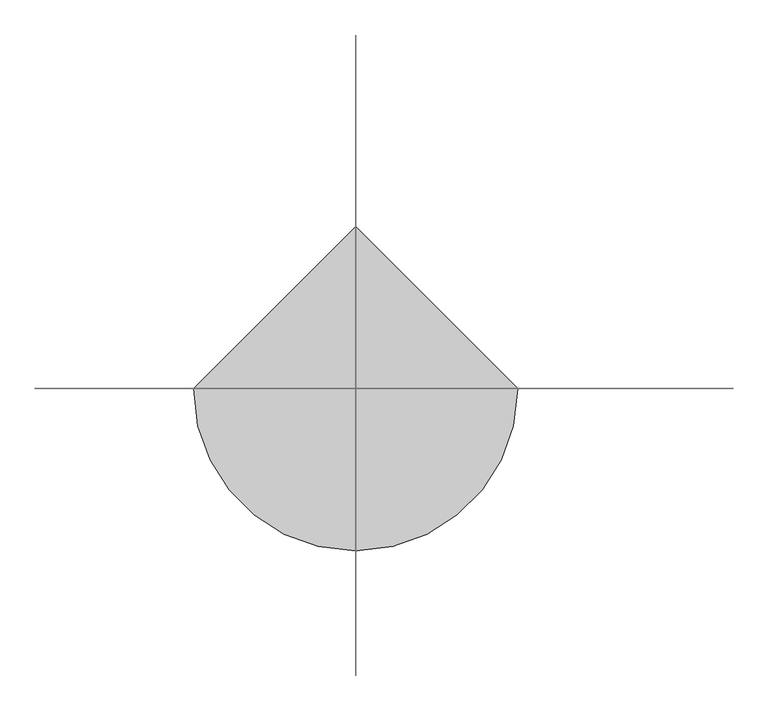
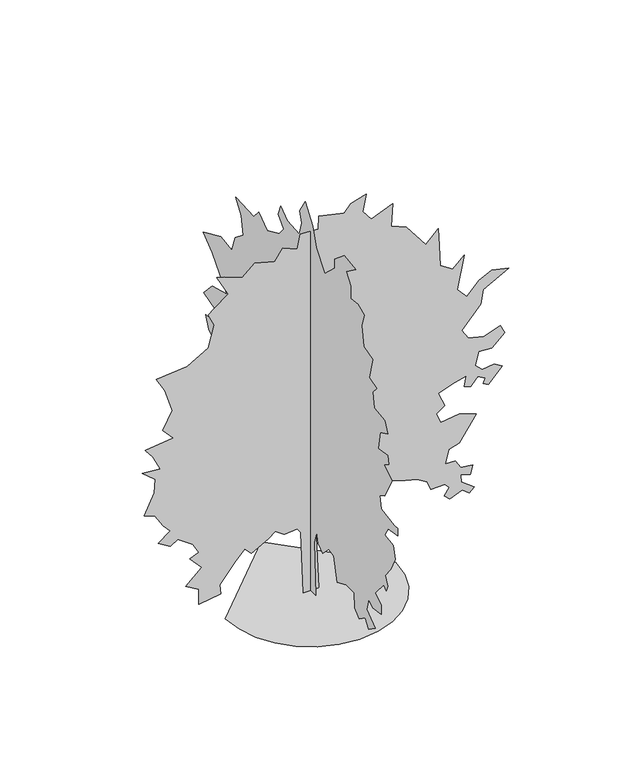
"""IFC4 building model written with IfcOpenShell, lengths in millimetres: geographic element geometry."""

from ifc_helpers import new_model, si_unit, origin, place, context, project, spatial, triangles, source, transform, mapped, element, save


def geographic_element_031c8886(model_context):
    return source(origin(), model_context, "Body", "Tessellation", [
        triangles([(-2937.8052727, 0.0, 0.000412), (-2860.1440247, -673.1516441, 0.000412), (-2638.9438637, -1291.3319344, 0.000412), (-2291.9380096, -1836.8326492, 0.000412), (-1836.8326492, -2291.9380096, 0.000412), (-1291.3319344, -2638.9438637, 0.000412), (-673.149682, -2860.1440247, 0.000412), (0.0001284, -2937.8052727, 0.000412), (673.1516441, -2860.1440247, 0.000412), (1291.3319344, -2638.9438637, 0.000412), (1836.8326492, -2291.9380096, 0.000412), (2291.9380096, -1836.8326492, 0.000412), (2638.9438637, -1291.3319344, 0.000412), (2860.1440247, -673.149682, 0.000412), (2937.8052727, 0.0002568, 0.000412), (-0.0003852, 2937.8052727, 0.000412), (-247.3354843, 0.0, 0.0061369), (-344.9641545, -0.0001338, 2245.4657009), (-462.1189948, -0.0001432, 2401.6824738), (-911.2140753, -0.0001408, 2362.6185791), (-1223.6263287, -0.0001536, 2577.4214561), (-1457.9358639, -0.0001432, 2401.6824738), (-2043.7099926, -0.0001234, 2069.7460487), (-2278.015749, -0.0001385, 2323.57416), (-2609.9520287, -0.0001152, 1933.0593338), (-3137.149791, -7.8e-05, 1308.2329376), (-3098.1053719, -5.7e-05, 956.7685621), (-3859.6085999, -5e-05, 839.6137218), (-3859.6085999, -8.26e-05, 1386.3374725), (-4308.6980484, -9.89e-05, 1659.6994205), (-3761.9779312, -0.0001292, 2167.3767174), (-4172.02267, -0.000156, 2616.4658752), (-3859.6085999, -0.0001629, 2733.6188988), (-4074.392292, -0.000185, 3104.5997429), (-4582.0676994, -0.0002072, 3475.6000626), (-4835.89552, -0.0001967, 3299.8610802), (-5265.462323, -0.0002118, 3553.7083763), (-4835.89552, -0.0002304, 3866.1224464), (-5089.7428162, -0.0002467, 4139.4729126), (-5382.6348221, -0.0002747, 4608.1036102), (-5734.093602, -0.0002816, 4725.2566338), (-5402.1568863, -0.0003247, 5447.7157333), (-5363.0929916, -0.0003538, 5935.8493103), (-5812.2022064, -0.0003759, 6306.8493393), (-5187.3734848, -0.0003724, 6248.2633804), (-5441.2015961, -0.0004038, 6775.4608521), (-5714.5715378, -0.0004236, 7107.3975677), (-4738.2648514, -0.0004306, 7224.5503006), (-5109.2654617, -0.0004551, 7634.5950394), (-4777.328746, -0.0004911, 8239.9011154), (-5031.1568573, -0.00054, 9059.990593), (-5324.0488632, -0.0005703, 9567.6468155), (-4250.1312744, -0.0005761, 9665.2774841), (-3527.6721748, -0.0006017, 10094.8442871), (-3332.4111282, -0.0006471, 10856.367572), (-3527.6721748, -0.0006727, 11285.934375), (-3332.4111282, -0.0006832, 11461.6538818), (-2844.2772606, -0.0007041, 11813.1312653), (-3234.7804596, -0.0007483, 12555.1127197), (-2980.9523483, -0.0007437, 12477.0046967), (-2356.1240627, -0.0007297, 12242.699231), (-1926.555225, -0.000753, 12633.2021393), (-1243.1524624, -0.0007414, 12437.940802), (-969.7905144, -0.0007658, 12847.9855408), (-462.1189948, -0.000753, 12633.2021393), (-364.4902883, -0.0007833, 13140.8769653), (260.3360353, -0.0007809, 13101.8328369), (279.862169, -0.0008089, 13570.4437683), (1158.5242704, -0.0007972, 13375.1835938), (1392.8319889, -0.0008124, 13629.0308899), (1920.0314953, -0.0008228, 13804.7503967), (1802.8748383, -0.0007867, 13199.4629242), (2095.7627747, -0.0007646, 12828.4634766), (2837.7439384, -0.0007821, 13121.3549011), (2779.1576889, -0.0007344, 12320.7874878), (3306.3554512, -0.0007216, 12106.0040863), (3970.2477768, -0.0006704, 11246.8704803), (4399.8145798, -0.000696, 11676.4372833), (4438.8589989, -0.0006576, 11032.0870789), (4477.9037086, -0.0006133, 10290.1056244), (4907.4899872, -0.000597, 10016.7548676), (5297.9928955, -0.0006192, 10387.7357117), (5063.6874298, -0.0005493, 9216.1880356), (5395.6235641, -0.0005272, 8845.2071915), (5825.1909485, -0.000554, 9294.29664), (6254.7577515, -0.0005668, 9509.0800415), (6840.5417633, -0.0005586, 9372.4046631), (5961.8657455, -0.0005307, 8903.7739655), (5864.2548431, -0.0005004, 8396.098558), (5219.8848724, -0.0004562, 7654.1171036), (5434.6874588, -0.0004364, 7322.1809692), (5981.407576, -0.0004283, 7185.5055908), (6547.6497574, -0.0004399, 7380.7669281), (6703.8472, -0.0004213, 7068.352858), (6254.7577515, -0.0003969, 6658.3081192), (5805.6683029, -0.0003992, 6697.352829), (5688.5155701, -0.0003713, 6228.7413162), (5922.8216171, -0.0003573, 5994.4352692), (6332.8663559, -0.0003608, 6053.0020432), (6606.2357162, -0.0003503, 5877.2825363), (6137.6050186, -0.0003201, 5369.6071289), (5961.8657455, -0.0003259, 5467.2377975), (6020.4522858, -0.0003363, 5642.9573044), (5766.6241745, -0.0003457, 5799.1739319), (5532.2989426, -0.0003282, 5506.2825073), (5297.9928955, -0.0003329, 5584.3905304), (5376.1014999, -0.000355, 5955.3713745), (4966.0567612, -0.0003491, 5857.7407059), (4399.8145798, -0.0003363, 5642.9573044), (4634.1203362, -0.0003061, 5135.3010818), (4341.2286209, -0.0002933, 4920.5176804), (4497.4452484, -0.0002712, 4549.5176514), (5122.2733887, -0.000277, 4647.14832), (5708.0382156, -0.0002654, 4451.8869827), (5122.2733887, -0.0002141, 3592.7527954), (4770.7954239, -0.0002072, 3475.6000626), (4653.642691, -0.0001781, 2987.4467194), (4985.5788254, -0.0001781, 2987.4467194), (5180.8401627, -0.0001594, 2675.0326492), (5590.8849014, -0.000156, 2616.4658752), (5512.7768784, -0.0001373, 2304.0518051), (5180.8401627, -0.0001432, 2401.6824738), (5200.3628082, -0.000128, 2147.8350323), (5649.4714417, -0.0001071, 1796.3784325), (5473.7321686, -9.78e-05, 1640.1732868), (5239.4267029, -0.0001094, 1835.4306999), (4809.8593185, -9.89e-05, 1659.6994205), (4614.5982719, -0.0001094, 1835.4306999), (4790.3177788, -0.0001245, 2089.2684036), (4634.1203362, -0.0001338, 2245.4657009), (4145.9672836, -0.0001338, 2245.4657009), (4028.8142601, -0.0001525, 2557.8799164), (3677.3557709, -0.0001653, 2772.6633179), (3267.3110321, -0.0001711, 2870.2939865), (2583.9161179, -0.0001839, 3085.077388), (2388.6546352, -0.0001653, 2772.6633179), (2173.8712337, -0.0001769, 2967.9246552), (2076.2405651, -0.0001885, 3163.1859924), (1685.7199253, -0.0001885, 3163.1859924), (1490.4626575, -0.0001955, 3280.3387253), (807.0578602, -0.000185, 3104.5997429), (279.862169, -0.0001653, 2772.6633179), (182.2323179, -0.000135, 2265.007386), (279.862169, 0.0, 0.0003686), (0.0, 282.9013367, 0.0), (0.0, 243.8510313, 2050.2043636), (0.0, 439.1084081, 2870.2939865), (0.0, 790.5728926, 3319.3831444), (0.0, 1513.02785, 3573.2307312), (0.0, 1962.1210773, 2987.4467194), (0.0, 2118.3378502, 3319.3831444), (0.0, 2723.6244507, 3124.1220978), (0.0, 3153.1915443, 3182.7080566), (0.0, 3719.4529106, 2596.9243355), (0.0, 4207.5867783, 1991.637735), (0.0, 4715.2621857, 1952.5738403), (0.0, 4422.3701797, 2479.771312), (0.0, 5086.2622147, 2694.5550041), (0.0, 4695.7398308, 2870.2939865), (0.0, 4012.325441, 3182.7080566), (0.0, 4402.8481155, 3768.4920685), (0.0, 4773.8484352, 4217.5812263), (0.0, 4617.631517, 4744.778698), (0.0, 4930.0455872, 5389.1291931), (0.0, 5301.0461975, 5213.3905014), (0.0, 5808.7018387, 5037.6709946), (0.0, 6179.702449, 5057.1930588), (0.0, 5750.1350647, 5642.9573044), (0.0, 6082.0717804, 5857.7407059), (0.0, 6257.8104721, 6287.3080902), (0.0, 5750.1350647, 6306.8301544), (0.0, 5672.0270416, 6794.9834976), (0.0, 6374.963205, 7009.7668991), (0.0, 5867.2877975, 7556.4864349), (0.0, 5008.1541916, 7790.792482), (0.0, 5867.2877975, 8786.6212326), (0.0, 6414.0079147, 9196.6659714), (0.0, 5359.6123901, 9665.2774841), (0.0, 4715.2621857, 9567.6468155), (0.0, 4520.0008484, 10133.9081818), (0.0, 4012.325441, 10543.9331543), (0.0, 4149.0200043, 11168.7612946), (0.0, 4480.9564293, 11637.3931549), (0.0, 3387.5164856, 11598.3292603), (0.0, 3114.1468346, 11930.2845795), (0.0, 2606.4714272, 11559.2839691), (0.0, 1884.0204666, 11891.2206848), (0.0, 1610.6585186, 12223.1574005), (0.0, 1923.0706993, 12574.6347839), (0.0, 1786.389798, 12945.6156281), (0.0, 1395.8749718, 12652.7242035), (0.0, 692.944186, 12594.1568481), (0.0, 517.2129066, 13101.8328369), (0.0, 653.8919186, 13472.813681), (0.0, 321.9536041, 14000.011734), (0.0, -127.1399321, 13375.1835938), (0.0, -341.9230611, 12730.8322266), (0.0, -849.5945807, 12086.4820221), (0.0, -1454.8947704, 12652.7242035), (0.0, -1435.3706715, 12965.1376923), (0.0, -2021.1349171, 13453.2916168), (0.0, -2685.0270973, 13336.1383026), (0.0, -2118.7655857, 12926.0935638), (0.0, -2392.1352367, 12555.0929535), (0.0, -2392.1352367, 12106.0040863), (0.0, -2821.7021851, 12164.5900452), (0.0, -3212.2248596, 12008.373999), (0.0, -3056.0079414, 11520.2398407), (0.0, -3173.160965, 10836.8257416), (0.0, -3700.3584366, 10680.628299), (0.0, -3505.1165749, 9899.5829498), (0.0, -3954.2060234, 9762.9075714), (0.0, -3719.900267, 9509.0800415), (0.0, -3797.9891052, 8962.3599243), (0.0, -4422.8175362, 8884.2519012), (0.0, -4598.5565186, 8493.7292267), (0.0, -4149.4673607, 8278.9458252), (0.0, -4051.836692, 7634.5950394), (0.0, -4598.5565186, 7712.7036438), (0.0, -4676.6648323, 7439.3337021), (0.0, -4364.2507622, 7244.0723648), (0.0, -4871.906694, 6951.2001251), (0.0, -4422.8175362, 6131.1106476), (0.0, -4129.9255302, 5974.8934387), (0.0, -4208.033844, 5525.8045715), (0.0, -5008.6012573, 5408.6518387), (0.0, -5203.8625946, 5428.1739029), (0.0, -5203.8625946, 5154.8237274), (0.0, -4637.6009377, 5057.1930588), (0.0, -4442.3396004, 4725.2566338), (0.0, -4950.0152985, 4647.14832), (0.0, -5047.6459671, 4198.0588715), (0.0, -4793.8178558, 3670.8613998), (0.0, -4461.8814308, 3260.8166611), (0.0, -4618.0788734, 2948.4023003), (0.0, -4520.4482048, 2733.6188988), (0.0, -4383.7731171, 2870.2939865), (0.0, -3856.5753548, 2245.4657009), (0.0, -4227.5561989, 2011.1599445), (0.0, -4227.5561989, 1698.7458744), (0.0, -3700.3584366, 1601.1170952), (0.0, -3466.0526802, 1776.850264), (0.0, -3348.8999474, 1347.2814262), (0.0, -3856.5753548, 956.7646379), (0.0, -3466.0526802, 683.4047247), (0.0, -3251.2692787, 976.2907717), (0.0, -2899.8107895, 722.4550301), (0.0, -2645.9632027, 976.2907717), (0.0, -2606.9187836, 1483.9623276), (0.0, -2138.3072708, 1503.4884613), (0.0, -1591.5756718, 1269.1787807), (0.0, -1396.318404, 2108.7906132), (0.0, -1083.9041885, 2147.8350323), (0.0, -722.6766735, 1796.3745083), (0.0, -459.0798271, 1991.637735), (0.0, -361.4511206, 2343.0963696), (0.0, -224.768239, 1913.5292759), (0.0, -302.8727376, 0.0020601)], [[15, 16, 1], [14, 15, 1], [14, 1, 2], [13, 14, 2], [13, 2, 3], [13, 3, 4], [12, 13, 4], [11, 12, 4], [11, 4, 5], [11, 5, 6], [11, 6, 7], [11, 7, 8], [11, 8, 9], [11, 9, 10], [43, 44, 45], [81, 82, 83], [86, 87, 88], [85, 86, 88], [58, 59, 60], [77, 78, 79], [46, 47, 48], [58, 60, 61], [70, 71, 72], [84, 85, 88], [73, 74, 75], [51, 52, 53], [36, 37, 38], [35, 36, 38], [31, 32, 33], [84, 88, 89], [113, 114, 115], [29, 30, 31], [123, 124, 125], [123, 125, 126], [135, 136, 137], [67, 68, 69], [99, 100, 101], [98, 99, 101], [112, 113, 115], [112, 115, 116], [143, 144, 17], [143, 17, 18], [27, 28, 29], [26, 27, 29], [40, 41, 42], [119, 120, 121], [119, 121, 122], [69, 70, 72], [26, 29, 31], [25, 26, 31], [84, 89, 90], [105, 106, 107], [104, 105, 107], [45, 46, 48], [127, 128, 129], [126, 127, 129], [123, 126, 129], [122, 123, 129], [122, 129, 130], [65, 66, 67], [92, 93, 94], [92, 94, 95], [92, 95, 96], [91, 92, 96], [101, 102, 103], [98, 101, 103], [98, 103, 104], [97, 98, 104], [97, 104, 107], [135, 137, 138], [63, 64, 65], [109, 110, 111], [142, 143, 18], [142, 18, 19], [22, 23, 24], [119, 122, 130], [118, 119, 130], [117, 118, 130], [117, 130, 131], [117, 131, 132], [55, 56, 57], [48, 49, 50], [50, 51, 53], [25, 31, 33], [24, 25, 33], [117, 132, 133], [116, 117, 133], [112, 116, 133], [112, 133, 134], [112, 134, 135], [111, 112, 135], [77, 79, 80], [61, 62, 63], [111, 135, 138], [55, 57, 58], [83, 84, 90], [109, 111, 138], [109, 138, 139], [109, 139, 140], [80, 81, 83], [24, 33, 34], [91, 96, 97], [91, 97, 107], [91, 107, 108], [91, 108, 109], [90, 91, 109], [19, 20, 21], [142, 19, 21], [50, 53, 54], [69, 72, 73], [67, 69, 73], [65, 67, 73], [65, 73, 75], [48, 50, 54], [21, 22, 24], [21, 24, 34], [58, 61, 63], [55, 58, 63], [54, 55, 63], [54, 63, 65], [54, 65, 75], [48, 54, 75], [48, 75, 76], [48, 76, 77], [48, 77, 80], [48, 80, 83], [48, 83, 90], [48, 90, 109], [48, 109, 140], [48, 140, 141], [48, 141, 142], [48, 142, 21], [48, 21, 34], [45, 48, 34], [45, 34, 35], [45, 35, 38], [45, 38, 39], [45, 39, 40], [45, 40, 42], [45, 42, 43], [157, 158, 159], [201, 202, 203], [182, 183, 184], [155, 156, 157], [166, 167, 168], [200, 201, 203], [176, 177, 178], [154, 155, 157], [149, 150, 151], [172, 173, 174], [211, 212, 213], [165, 166, 168], [194, 195, 196], [193, 194, 196], [235, 236, 237], [169, 170, 171], [243, 244, 245], [243, 245, 246], [189, 190, 191], [188, 189, 191], [157, 159, 160], [154, 157, 160], [153, 154, 160], [250, 251, 252], [234, 235, 237], [199, 200, 203], [226, 227, 228], [226, 228, 229], [225, 226, 229], [193, 196, 197], [192, 193, 197], [168, 169, 171], [258, 145, 146], [257, 258, 146], [172, 174, 175], [221, 222, 223], [215, 216, 217], [214, 215, 217], [256, 257, 146], [256, 146, 147], [209, 210, 211], [184, 185, 186], [206, 207, 208], [218, 219, 220], [218, 220, 221], [246, 247, 248], [246, 248, 249], [243, 246, 249], [242, 243, 249], [253, 254, 255], [253, 255, 256], [239, 240, 241], [238, 239, 241], [238, 241, 242], [205, 206, 208], [199, 203, 204], [199, 204, 205], [198, 199, 205], [225, 229, 230], [181, 182, 184], [175, 176, 178], [175, 178, 179], [164, 165, 168], [164, 168, 171], [230, 231, 232], [230, 232, 233], [188, 191, 192], [221, 223, 224], [181, 184, 186], [192, 197, 198], [230, 233, 234], [153, 160, 161], [161, 162, 163], [153, 161, 163], [164, 171, 172], [164, 172, 175], [218, 221, 224], [198, 205, 208], [198, 208, 209], [198, 209, 211], [188, 192, 198], [187, 188, 198], [187, 198, 211], [186, 187, 211], [181, 186, 211], [181, 211, 213], [181, 213, 214], [181, 214, 217], [181, 217, 218], [181, 218, 224], [180, 181, 224], [179, 180, 224], [175, 179, 224], [164, 175, 224], [163, 164, 224], [153, 163, 224], [152, 153, 224], [151, 152, 224], [149, 151, 224], [148, 149, 224], [148, 224, 225], [147, 148, 225], [256, 147, 225], [253, 256, 225], [252, 253, 225], [252, 225, 230], [252, 230, 234], [252, 234, 237], [252, 237, 238], [250, 252, 238], [249, 250, 238], [242, 249, 238]], closed=False),
    ])


if __name__ == "__main__":
    model = new_model("IFC4")
    model_context = context("Model", 3, world=origin())
    ifc_project = project(units=[si_unit("LENGTHUNIT", "METRE", prefix="MILLI")], contexts=[model_context])
    site = spatial("IfcSite", under=ifc_project)
    building = spatial("IfcBuilding", under=site)
    placement = place(None, origin())
    geographic_element_shape = geographic_element_031c8886(model_context)
    element("IfcGeographicElement", 1, at=placement, inside=building, context=model_context, shape_type="MappedRepresentation", body=[
        mapped(geographic_element_shape, transform((0.0, 0.0, 0.0), x_axis=(1.0, 0.0, 0.0), y_axis=(0.0, 1.0, 0.0), z_axis=(0.0, 0.0, 1.0))),
    ])
    save(model, "model.ifc")
